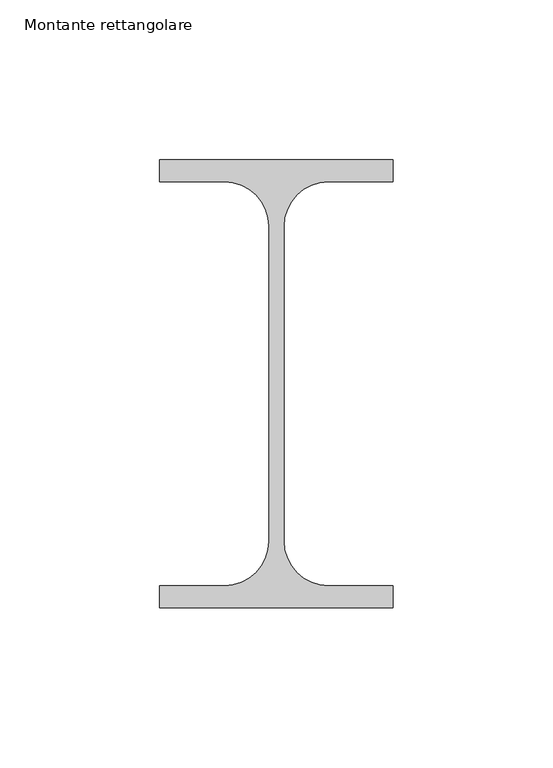
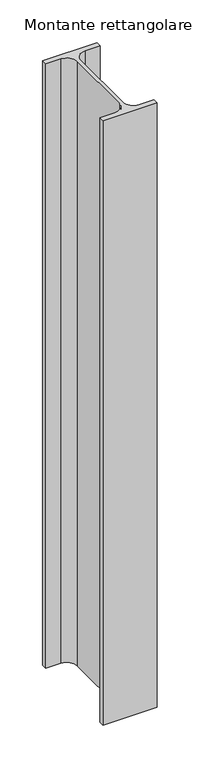
"""IFC4 building model written with IfcOpenShell, lengths in millimetres: member geometry, Montante rettangolare."""

from ifc_helpers import new_model, si_unit, point, frame, frame_2d, origin, place, context, project, spatial, polyline, circle_curve, trimmed, segment, composite_curve, outline, extrude, source, transform, mapped, element, save


def montante_rettangolare_1704782b(model_context):
    return source(origin(), model_context, "Body", "SweptSolid", [
        extrude(outline(composite_curve([segment(polyline([(-73.0, 13.1), (-73.0, 20.0), (0.0, 20.0), (0.0, 13.1), (-20.25, 13.1)]), True, "CONTINUOUS"), segment(trimmed(circle_curve(frame_2d((-20.25, -0.8)), 13.9), [point((-20.25, 13.1))], [point((-34.15, -0.8))], True, "CARTESIAN"), True, "CONTINUOUS"), segment(polyline([(-34.15, -0.8), (-34.15, -99.2)]), True, "CONTINUOUS"), segment(trimmed(circle_curve(frame_2d((-20.25, -99.2)), 13.9), [point((-34.15, -99.2))], [point((-20.25, -113.1))], True, "CARTESIAN"), True, "CONTINUOUS"), segment(polyline([(-20.25, -113.1), (0.0, -113.1), (0.0, -120.0), (-73.0, -120.0), (-73.0, -113.1), (-52.75, -113.1)]), True, "CONTINUOUS"), segment(trimmed(circle_curve(frame_2d((-52.75, -99.2)), 13.9), [point((-52.75, -113.1))], [point((-38.85, -99.2))], True, "CARTESIAN"), True, "CONTINUOUS"), segment(polyline([(-38.85, -99.2), (-38.85, -0.8)]), True, "CONTINUOUS"), segment(trimmed(circle_curve(frame_2d((-52.75, -0.8)), 13.9), [point((-38.85, -0.8))], [point((-52.75, 13.1))], True, "CARTESIAN"), True, "CONTINUOUS"), segment(polyline([(-52.75, 13.1), (-73.0, 13.1)]), True, "CONTINUOUS")], self_intersect=False)), frame((0.0, 0.0, -859.185497), z_axis=(0.0, 0.0, 1.0), x_axis=(1.0, 0.0, 0.0)), (0.0, 0.0, 1.0), 859.185497),
    ])


if __name__ == "__main__":
    model = new_model("IFC4")
    model_context = context("Model", 3, world=origin())
    ifc_project = project(units=[si_unit("LENGTHUNIT", "METRE", prefix="MILLI")], contexts=[model_context])
    site = spatial("IfcSite", under=ifc_project)
    building = spatial("IfcBuilding", under=site)
    placement = place(None, origin())
    montante_rettangolare_shape = montante_rettangolare_1704782b(model_context)
    element("IfcMember", 1, ObjectType="Montante rettangolare", at=placement, inside=building, context=model_context, shape_type="MappedRepresentation", body=[
        mapped(montante_rettangolare_shape, transform((0.0, 0.0, 0.0), x_axis=(1.0, 0.0, 0.0), y_axis=(0.0, 1.0, 0.0), z_axis=(0.0, 0.0, 1.0))),
    ])
    save(model, "model.ifc")
